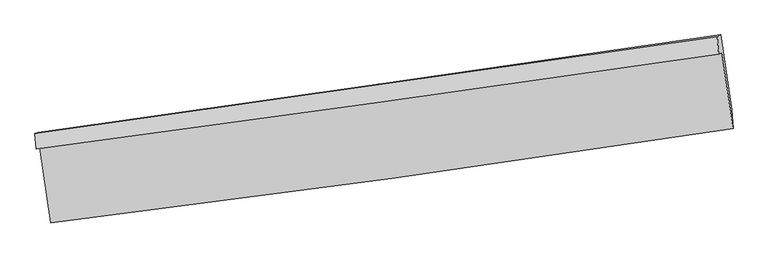
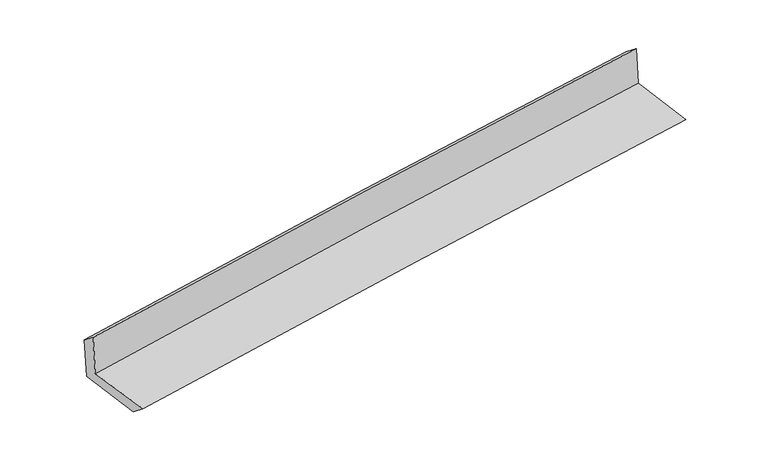
"""IFC4 building model written with IfcOpenShell, lengths in millimetres: proxy geometry."""

from ifc_helpers import new_model, si_unit, frame, origin, place, context, project, spatial, source, transform, mapped, element, save
from ifc_brep_helpers import plane_surface, spline_curve, spline_surface, advanced_brep


def generic_models_1c734549(model_context):
    return source(origin(), model_context, "Body", "AdvancedBrep", [
        advanced_brep(
        [(-2999.1395343, -1910.2584571, 1630.3535318), (-2902.9758557, -2571.8898852, 1625.8736831), (3049.2440358, -1745.0902912, 2126.3308244), (2951.8057885, -1082.4796443, 2145.1169531), (-3029.3468094, -1925.0994617, 2038.9967839), (2923.2361564, -1097.6998699, 2533.7711964), (-3040.7798289, -1787.5377243, 1931.811788), (2910.5738414, -942.9775476, 2410.7276444), (-3009.8247649, -1780.9523265, 1528.8225178), (2939.5280648, -927.5524343, 2016.841517), (-2914.9008563, -2426.4646816, 1510.5211545), (3035.6134602, -1580.9632641, 1998.3162187)],
        [
            (0, 1),
            (1, 2, spline_curve(3, [(-2902.9758557, -2571.8898852, 1625.8736831), (-1910.608554936, -2449.837425296, 1733.325444272), (-918.384173353, -2319.907760064, 1828.75742827), (1065.68909809, -2044.306471585, 1995.574302865), (2057.53801357, -1898.636272211, 2066.961366164), (3049.2440358, -1745.0902912, 2126.3308244)], [4, 2, 4], [0.0, 9.893363945193155, 19.785833838445384])),
            (2, 3),
            (3, 0, spline_curve(3, [(2951.8057885, -1082.4796443, 2145.1169531), (1959.376309503, -1227.153035429, 2078.657853189), (967.27185363, -1368.468333568, 2002.533726665), (-1016.376646299, -1644.395211793, 1830.947666767), (-2007.920631149, -1779.006184446, 1735.483986278), (-2999.1395343, -1910.2584571, 1630.3535318)], [4, 2, 4], [0.0, 9.89246989325223, 19.785833838445384])),
            (4, 0),
            (3, 5),
            (5, 4, spline_curve(3, [(2923.2361564, -1097.6998699, 2533.7711964), (1930.48216867, -1241.940800778, 2470.619563726), (938.078993147, -1383.008260091, 2397.814845429), (-1046.115391883, -1658.808697556, 2232.89178648), (-2037.906538496, -1793.541102195, 2140.771700464), (-3029.3468094, -1925.0994617, 2038.9967839)], [4, 2, 4], [0.0, 9.89210496253863, 19.785103944036834])),
            (6, 4),
            (5, 7),
            (7, 6, spline_curve(3, [(2910.5738414, -942.9775476, 2410.7276444), (1917.708958895, -1085.420757439, 2345.688817737), (925.352765614, -1227.019235111, 2273.261887021), (-1058.431883235, -1508.539446593, 2113.624603734), (-2049.860246506, -1648.461028023, 2026.412915565), (-3040.7798289, -1787.5377243, 1931.811788)], [4, 2, 4], [0.0, 9.891783647653249, 19.78446128522659])),
            (8, 6),
            (7, 9),
            (9, 8, spline_curve(3, [(2939.5280648, -927.5524343, 2016.841517), (1947.911185939, -1070.747569235, 1937.41622805), (956.345744317, -1213.458602863, 1857.037214118), (-1026.771874797, -1497.925321383, 1694.364387072), (-2018.324043176, -1639.680918459, 1612.070400741), (-3009.8247649, -1780.9523265, 1528.8225178)], [4, 2, 4], [0.0, 9.891415047661672, 19.78372405193047])),
            (10, 8),
            (9, 11),
            (11, 10, spline_curve(3, [(3035.6134602, -1580.9632641, 1998.3162187), (2044.366571111, -1726.674445386, 1918.819595563), (1052.889350889, -1869.985412406, 1838.423572498), (-930.615379461, -2151.819652088, 1675.825380664), (-1922.642931528, -2290.342490992, 1593.62304866), (-2914.9008563, -2426.4646816, 1510.5211545)], [4, 2, 4], [0.0, 9.891357933805514, 19.783609819056373])),
            (1, 10),
            (11, 2),
        ],
        [
            spline_surface(3, 3, [[(-2999.1395343, -1910.2584571, 1630.3535318), (-2007.920631197, -1779.006184469, 1735.48398615), (-1016.376646185, -1644.395211653, 1830.947666703), (967.271853516, -1368.468333708, 2002.533726729), (1959.376309406, -1227.153035581, 2078.657853281), (2951.8057885, -1082.4796443, 2145.1169531)], [(-2967.084974745, -2130.80226645, 1628.860248909), (-1975.483272406, -2002.616598078, 1734.764472235), (-983.712488541, -1869.566061088, 1830.217587213), (1000.077601705, -1593.747713024, 2000.213918822), (1992.09687748, -1450.980781161, 2074.759024283), (2984.285204272, -1303.349859919, 2138.854910212)], [(-2935.030415255, -2351.34607585, 1627.366965991), (-1943.04591368, -2226.227011738, 1734.044958294), (-951.048330944, -2094.736910541, 1829.487507671), (1032.883349848, -1819.027092357, 1997.894110861), (2024.817445539, -1674.808526783, 2070.860195247), (3016.764620028, -1524.220075581, 2132.592867288)], [(-2902.9758557, -2571.8898852, 1625.8736831), (-1910.60855489, -2449.837425347, 1733.325444379), (-918.3841733, -2319.907759976, 1828.757428181), (1065.689098037, -2044.306471673, 1995.574302954), (2057.538013614, -1898.636272362, 2066.961366249), (3049.2440358, -1745.0902912, 2126.3308244)]], [4, 4], [4, 2, 4], [0.0, 2.2401248711089266], [0.0, 9.893363945193155, 19.785833838445384]),
            spline_surface(3, 3, [[(-3029.3468094, -1925.0994617, 2038.9967839), (-2037.906538463, -1793.541102354, 2140.771700309), (-1046.11539204, -1658.808697609, 2232.89178632), (938.078993305, -1383.008260038, 2397.81484559), (1930.482168819, -1241.940800837, 2470.619563713), (2923.2361564, -1097.6998699, 2533.7711964)], [(-3019.277717692, -1920.152460181, 1902.782366545), (-2027.911236032, -1788.696129739, 2005.675795601), (-1036.202476774, -1654.004202273, 2098.910413088), (947.809946689, -1378.161617911, 2266.05447261), (1940.113549041, -1237.011545764, 2339.965660229), (2932.759367127, -1092.626461379, 2404.21978196)], [(-3009.208626008, -1915.205458619, 1766.567949155), (-2017.915933627, -1783.851157083, 1870.579890858), (-1026.289561451, -1649.199706989, 1964.929039935), (957.540900132, -1373.314975835, 2134.294099708), (1949.744929184, -1232.082290654, 2209.311756765), (2942.282577773, -1087.553052821, 2274.66836754)], [(-2999.1395343, -1910.2584571, 1630.3535318), (-2007.920631197, -1779.006184469, 1735.48398615), (-1016.376646185, -1644.395211653, 1830.947666703), (967.271853516, -1368.468333708, 2002.533726729), (1959.376309406, -1227.153035581, 2078.657853281), (2951.8057885, -1082.4796443, 2145.1169531)]], [4, 4], [4, 2, 4], [0.0, 1.312213208499951], [0.0, 9.892998981498204, 19.785103944036834]),
            spline_surface(3, 3, [[(-3040.7798289, -1787.5377243, 1931.811788), (-2049.860246602, -1648.461027968, 2026.412915687), (-1058.43188316, -1508.539446665, 2113.62460372), (925.352765539, -1227.019235039, 2273.261887036), (1917.708958902, -1085.420757502, 2345.688817791), (2910.5738414, -942.9775476, 2410.7276444)], [(-3036.968822424, -1833.391636744, 1967.540119959), (-2045.875677247, -1696.821052741, 2064.532510553), (-1054.326386102, -1558.629196978, 2153.380331272), (929.59484148, -1279.015576704, 2314.779539906), (1921.966695534, -1137.594105295, 2387.332399767), (2914.794613059, -994.551655047, 2451.742161735)], [(-3033.157815876, -1879.245549256, 2003.268451941), (-2041.891107818, -1745.181077581, 2102.652105443), (-1050.220889099, -1608.718947296, 2193.136058767), (933.836917364, -1331.011918374, 2356.297192719), (1926.224432188, -1189.767453045, 2428.975981737), (2919.015384741, -1046.125762453, 2492.756679065)], [(-3029.3468094, -1925.0994617, 2038.9967839), (-2037.906538463, -1793.541102354, 2140.771700309), (-1046.11539204, -1658.808697609, 2232.89178632), (938.078993305, -1383.008260038, 2397.81484559), (1930.482168819, -1241.940800837, 2470.619563713), (2923.2361564, -1097.6998699, 2533.7711964)]], [4, 4], [4, 2, 4], [0.0, 0.6434733692987779], [0.0, 9.892677637573343, 19.78446128522659]),
            spline_surface(3, 3, [[(-3009.8247649, -1780.9523265, 1528.8225178), (-2018.324043056, -1639.680918354, 1612.070400904), (-1026.771874834, -1497.925321242, 1694.364386921), (956.345744354, -1213.458603004, 1857.037214269), (1947.911186052, -1070.747569377, 1937.416227961), (2939.5280648, -927.5524343, 2016.841517)], [(-3020.143119551, -1783.147459105, 1663.152274528), (-2028.836110889, -1642.607621563, 1750.184572493), (-1037.325210954, -1501.463363067, 1834.117792507), (946.014751404, -1217.9788137, 1995.778771844), (1937.843777008, -1075.638632057, 2073.507091226), (2929.876657006, -932.694138705, 2148.136892788)], [(-3030.461474249, -1785.342591695, 1797.482031272), (-2039.348178769, -1645.534324758, 1888.298744098), (-1047.87854704, -1505.00140484, 1973.871198133), (935.683758489, -1222.499024344, 2134.52032946), (1927.776367946, -1080.529694822, 2209.597954526), (2920.225249194, -937.835843195, 2279.432268612)], [(-3040.7798289, -1787.5377243, 1931.811788), (-2049.860246602, -1648.461027968, 2026.412915687), (-1058.43188316, -1508.539446665, 2113.62460372), (925.352765539, -1227.019235039, 2273.261887036), (1917.708958902, -1085.420757502, 2345.688817791), (2910.5738414, -942.9775476, 2410.7276444)]], [4, 4], [4, 2, 4], [0.0, 1.3749667579163043], [0.0, 9.892309004268798, 19.78372405193047]),
            spline_surface(3, 3, [[(-2914.9008563, -2426.4646816, 1510.5211545), (-1922.642931502, -2290.342491066, 1593.623048606), (-930.615379549, -2151.819652102, 1675.825380509), (1052.889350977, -1869.985412391, 1838.423572654), (2044.366571202, -1726.674445541, 1918.819595506), (3035.6134602, -1580.9632641, 1998.3162187)], [(-2946.542159176, -2211.293896576, 1516.621608924), (-1954.536635362, -2073.455300172, 1599.772166029), (-962.667544638, -1933.854875149, 1682.005049313), (1020.708148775, -1651.143142596, 1844.628119859), (2012.214776139, -1508.032153509, 1925.018473005), (3003.584995053, -1363.159654189, 2004.491318147)], [(-2978.183462024, -1996.123111524, 1522.722063376), (-1986.430339195, -1856.568109248, 1605.921283481), (-994.719709745, -1715.890098195, 1688.184718116), (988.526946556, -1432.3008728, 1850.832667064), (1980.062981115, -1289.38986141, 1931.217350463), (2971.556529947, -1145.356044211, 2010.666417553)], [(-3009.8247649, -1780.9523265, 1528.8225178), (-2018.324043056, -1639.680918354, 1612.070400904), (-1026.771874834, -1497.925321242, 1694.364386921), (956.345744354, -1213.458603004, 1857.037214269), (1947.911186052, -1070.747569377, 1937.416227961), (2939.5280648, -927.5524343, 2016.841517)]], [4, 4], [4, 2, 4], [0.0, 2.1736131175222893], [0.0, 9.89225188525086, 19.783609819056373]),
            spline_surface(3, 3, [[(-2902.9758557, -2571.8898852, 1625.8736831), (-1910.60855489, -2449.837425347, 1733.325444379), (-918.3841733, -2319.907759976, 1828.757428181), (1065.689098037, -2044.306471673, 1995.574302954), (2057.538013614, -1898.636272362, 2066.961366249), (3049.2440358, -1745.0902912, 2126.3308244)], [(-2906.950855912, -2523.414817344, 1587.422840236), (-1914.620013772, -2396.672447265, 1686.757979124), (-922.461242059, -2263.878390692, 1777.780078959), (1061.422515674, -1986.19945192, 1943.190726189), (2053.147532793, -1841.315663416, 2017.580775992), (3044.700510583, -1690.38128216, 2083.659289157)], [(-2910.925856088, -2474.939749456, 1548.971997364), (-1918.631472619, -2343.507469149, 1640.190513862), (-926.53831079, -2207.849021386, 1726.802729731), (1057.15593334, -1928.092432145, 1890.807149418), (2048.757052023, -1783.995054488, 1968.200185764), (3040.156985417, -1635.67227314, 2040.987753943)], [(-2914.9008563, -2426.4646816, 1510.5211545), (-1922.642931502, -2290.342491066, 1593.623048606), (-930.615379549, -2151.819652102, 1675.825380509), (1052.889350977, -1869.985412391, 1838.423572654), (2044.366571202, -1726.674445541, 1918.819595506), (3035.6134602, -1580.9632641, 1998.3162187)]], [4, 4], [4, 2, 4], [0.0, 0.7588982144740536], [0.0, 9.892724973810664, 19.784555953423514]),
            plane_surface(frame((2968.3335578, -1229.4605086, 2205.184059), z_axis=(0.9866527695615053, 0.14287438000343813, 0.07812313265124769), x_axis=(-0.07325546712729405, -0.039026219395149137, 0.9965493418469974))),
            plane_surface(frame((-2982.8279416, -2067.0337561, 1711.0632432), z_axis=(-0.9866527695615137, -0.14287438000337901, -0.07812313265124853), x_axis=(-0.1438287841967422, 0.9895799038092931, 0.006700359190171302))),
        ],
        [
            (0, [[1, 2, 3, 4]]),
            (1, [[5, -4, 6, 7]]),
            (2, [[8, -7, 9, 10]]),
            (3, [[11, -10, 12, 13]]),
            (4, [[14, -13, 15, 16]]),
            (5, [[17, -16, 18, -2]]),
            (6, [[-12, -9, -6, -3, -18, -15]]),
            (7, [[-1, -5, -8, -11, -14, -17]]),
        ],
    ),
    ])


if __name__ == "__main__":
    model = new_model("IFC4")
    model_context = context("Model", 3, world=origin())
    ifc_project = project(units=[si_unit("LENGTHUNIT", "METRE", prefix="MILLI")], contexts=[model_context])
    site = spatial("IfcSite", under=ifc_project)
    building = spatial("IfcBuilding", under=site)
    placement = place(None, origin())
    generic_models_shape = generic_models_1c734549(model_context)
    element("IfcBuildingElementProxy", 1, Name="Generic Models", at=placement, inside=building, context=model_context, shape_type="MappedRepresentation", body=[
        mapped(generic_models_shape, transform((0.0, 0.0, 0.0), x_axis=(1.0, 0.0, 0.0), y_axis=(0.0, 1.0, 0.0), z_axis=(0.0, 0.0, 1.0))),
    ])
    save(model, "model.ifc")
